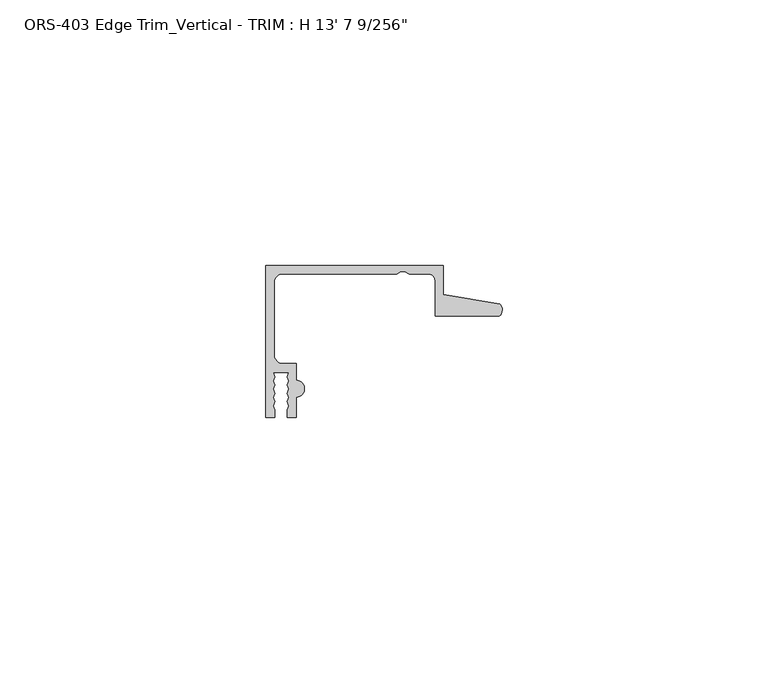
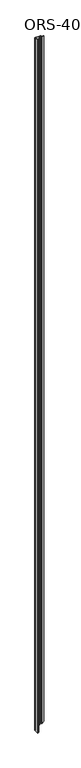
"""IFC4 building model written with IfcOpenShell, lengths in millimetres: proxy geometry."""

from ifc_helpers import new_model, si_unit, frame, origin, place, context, project, spatial, polyline, circle_curve, ellipse_curve, source, transform, mapped, element, save
from ifc_brep_helpers import plane_surface, cylinder_surface, revolved_surface, advanced_brep


def proxy_3cf52db5(model_context):
    return source(origin(), model_context, "Body", "AdvancedBrep", [
        advanced_brep(
        [(0.0, 19.6849659, 4141.0929687), (0.0, -8.8900341, 4141.0929687), (1.6395301, -8.8900341, 4141.0929687), (1.6395301, -7.4768015, 4141.0929687), (1.3857004, -6.695594, 4141.0929687), (1.6395301, -5.9143865, 4141.0929687), (1.3857004, -5.133179, 4141.0929687), (1.6395301, -4.3519716, 4141.0929687), (1.3857004, -3.5707641, 4141.0929687), (1.6395301, -2.7895566, 4141.0929687), (1.3857004, -2.0083491, 4141.0929687), (1.6395301, -1.2271416, 4141.0929687), (1.3857004, -0.4459342, 4141.0929687), (4.3039002, -0.4459342, 4141.0929687), (4.0500705, -1.2271416, 4141.0929687), (4.3039002, -2.0083491, 4141.0929687), (4.0500705, -2.7895566, 4141.0929687), (4.3039002, -3.5707641, 4141.0929687), (4.0500705, -4.3519716, 4141.0929687), (4.3039002, -5.133179, 4141.0929687), (4.0500705, -5.9143865, 4141.0929687), (4.3039002, -6.695594, 4141.0929687), (4.0500705, -7.4768015, 4141.0929687), (4.0500705, -8.8900341, 4141.0929687), (5.6896, -8.8900341, 4141.0929687), (5.6896, -5.0673341, 4141.0929687), (5.6896, -1.9177341, 4141.0929687), (5.6896, 1.2699659, 4141.0929687), (3.1623, 1.2699659, 4141.0929687), (1.5748, 2.8574659, 4141.0929687), (1.5748, 16.5226659, 4141.0929687), (3.1623, 18.1101659, 4141.0929687), (24.5876618, 18.1101659, 4141.0929687), (25.3762055, 18.5286393, 4141.0929687), (26.1600648, 18.5286393, 4141.0929687), (26.9486086, 18.1101659, 4141.0929687), (30.5703698, 18.1101659, 4141.0929687), (31.8403698, 16.8401659, 4141.0929687), (31.8403698, 10.1599659, 4141.0929687), (43.9251729, 10.1599659, 4141.0929687), (43.9912567, 12.4813352, 4141.0929687), (33.4151698, 14.292309, 4141.0929687), (33.4151698, 19.6849659, 4141.0929687), (0.0, 19.6849659, 0.0), (0.0, -8.8900341, 0.0), (1.6395301, -8.8900341, 1.6395301), (1.6395301, -7.4768015, 1.6395301), (1.3857004, -6.695594, 1.3857004), (1.6395301, -5.9143865, 1.6395301), (1.3857004, -5.133179, 1.3857004), (1.6395301, -4.3519716, 1.6395301), (1.3857004, -3.5707641, 1.3857004), (1.6395301, -2.7895566, 1.6395301), (1.3857004, -2.0083491, 1.3857004), (1.6395301, -1.2271416, 1.6395301), (1.3857004, -0.4459342, 1.3857004), (4.3039002, -0.4459342, 4.3039002), (4.0500705, -1.2271416, 4.0500705), (4.3039002, -2.0083491, 4.3039002), (4.0500705, -2.7895566, 4.0500705), (4.3039002, -3.5707641, 4.3039002), (4.0500705, -4.3519716, 4.0500705), (4.3039002, -5.133179, 4.3039002), (4.0500705, -5.9143865, 4.0500705), (4.3039002, -6.695594, 4.3039002), (4.0500705, -7.4768015, 4.0500705), (4.0500705, -8.8900341, 4.0500705), (5.6896, -8.8900341, 5.6896), (5.6896, -5.0673341, 5.6896), (5.6896, -1.9177341, 5.6896), (5.6896, 1.2699659, 5.6896), (3.1623, 1.2699659, 3.1623), (1.5748, 2.8574659, 1.5748), (1.5748, 16.5226659, 1.5748), (3.1623, 18.1101659, 3.1623), (24.5876618, 18.1101659, 24.5876618), (25.3762055, 18.5286393, 25.3762055), (26.1600648, 18.5286393, 26.1600648), (26.9486086, 18.1101659, 26.9486086), (30.5703698, 18.1101659, 30.5703698), (31.8403698, 16.8401659, 31.8403698), (31.8403698, 10.1599659, 31.8403698), (43.9251729, 10.1599659, 43.9251729), (43.9912567, 12.4813352, 43.9912567), (33.4151698, 14.292309, 33.4151698), (33.4151698, 19.6849659, 33.4151698)],
        [
            (0, 1),
            (1, 2),
            (2, 3),
            (3, 4),
            (4, 5),
            (5, 6),
            (6, 7),
            (7, 8),
            (8, 9),
            (9, 10),
            (10, 11),
            (11, 12),
            (12, 13),
            (13, 14),
            (14, 15),
            (15, 16),
            (16, 17),
            (17, 18),
            (18, 19),
            (19, 20),
            (20, 21),
            (21, 22),
            (22, 23),
            (23, 24),
            (24, 25),
            (25, 26, circle_curve(frame((5.6896, -3.4925341, 4141.0929687), z_axis=(0.0, 0.0, 1.0), x_axis=(1.0, 0.0, 0.0)), 1.5748)),
            (26, 27),
            (27, 28),
            (28, 29, circle_curve(frame((3.1623, 2.8574659, 4141.0929687), z_axis=(0.0, 0.0, -1.0), x_axis=(1.0, 0.0, 0.0)), 1.5875)),
            (29, 30),
            (30, 31, circle_curve(frame((3.1623, 16.5226659, 4141.0929687), z_axis=(0.0, 0.0, -1.0), x_axis=(1.0, 0.0, 0.0)), 1.5875)),
            (31, 32),
            (32, 33),
            (33, 34),
            (34, 35),
            (35, 36),
            (36, 37, circle_curve(frame((30.5703698, 16.8401659, 4141.0929687), z_axis=(0.0, 0.0, -1.0), x_axis=(1.0, 0.0, 0.0)), 1.27)),
            (37, 38),
            (38, 39),
            (39, 40, circle_curve(frame((42.8344152, 11.3526424, 4141.0929687), z_axis=(0.0, 0.0, 1.0), x_axis=(1.0, 0.0, 0.0)), 1.6162393)),
            (40, 41),
            (41, 42),
            (42, 0),
            (0, 43),
            (43, 44),
            (44, 1),
            (44, 45),
            (45, 2),
            (45, 46),
            (46, 3),
            (46, 47),
            (47, 4),
            (47, 48),
            (48, 5),
            (48, 49),
            (49, 6),
            (49, 50),
            (50, 7),
            (50, 51),
            (51, 8),
            (51, 52),
            (52, 9),
            (52, 53),
            (53, 10),
            (53, 54),
            (54, 11),
            (54, 55),
            (55, 12),
            (55, 56),
            (56, 13),
            (56, 57),
            (57, 14),
            (57, 58),
            (58, 15),
            (58, 59),
            (59, 16),
            (59, 60),
            (60, 17),
            (60, 61),
            (61, 18),
            (61, 62),
            (62, 19),
            (62, 63),
            (63, 20),
            (63, 64),
            (64, 21),
            (64, 65),
            (65, 22),
            (65, 66),
            (66, 23),
            (66, 67),
            (67, 24),
            (67, 68),
            (68, 25),
            (68, 69, ellipse_curve(frame((5.6896, -3.4925341, 5.6896), z_axis=(-0.7071067811865469, 0.0, 0.7071067811865481), x_axis=(0.7071067811865481, 0.0, 0.7071067811865469)), 2.2271035, 1.5748)),
            (69, 26),
            (69, 70),
            (70, 27),
            (70, 71),
            (71, 28),
            (71, 72, ellipse_curve(frame((3.1623, 2.8574659, 3.1623), z_axis=(0.7071067811865469, 0.0, -0.7071067811865481), x_axis=(-0.7071067811865481, 0.0, -0.7071067811865469)), 2.245064, 1.5875)),
            (72, 29),
            (72, 73),
            (73, 30),
            (73, 74, ellipse_curve(frame((3.1623, 16.5226659, 3.1623), z_axis=(0.7071067811865469, 0.0, -0.7071067811865481), x_axis=(-0.7071067811865481, 0.0, -0.7071067811865469)), 2.245064, 1.5875)),
            (74, 31),
            (74, 75),
            (75, 32),
            (75, 76),
            (76, 33),
            (76, 77),
            (77, 34),
            (77, 78),
            (78, 35),
            (78, 79),
            (79, 36),
            (79, 80, ellipse_curve(frame((30.5703698, 16.8401659, 30.5703698), z_axis=(0.7071067811865469, 0.0, -0.7071067811865481), x_axis=(-0.7071067811865481, 0.0, -0.7071067811865469)), 1.7960512, 1.27)),
            (80, 37),
            (80, 81),
            (81, 38),
            (81, 82),
            (82, 39),
            (82, 83, ellipse_curve(frame((42.8344152, 11.3526424, 42.8344152), z_axis=(-0.7071067811865469, 0.0, 0.7071067811865481), x_axis=(0.7071067811865481, 0.0, 0.7071067811865469)), 2.2857076, 1.6162393)),
            (83, 40),
            (83, 84),
            (84, 41),
            (84, 85),
            (85, 42),
            (85, 43),
        ],
        [
            plane_surface(frame((0.0, -8.8900341, 4141.0929687), z_axis=(0.0, 0.0, 1.0), x_axis=(0.0, -1.0, 0.0))),
            plane_surface(frame((0.0, 19.6849659, 4141.0929687), z_axis=(-1.0, 0.0, 0.0), x_axis=(0.0, 0.0, -1.0))),
            plane_surface(frame((0.0, -8.8900341, 4141.0929687), z_axis=(0.0, -1.0, 0.0), x_axis=(0.0, 0.0, -1.0))),
            plane_surface(frame((1.6395301, -8.8900341, 4141.0929687), z_axis=(1.0, 0.0, 0.0), x_axis=(0.0, 0.0, -1.0))),
            plane_surface(frame((1.6395301, -7.4768015, 4141.0929687), z_axis=(0.9510565162951495, 0.30901699437496005, 0.0), x_axis=(0.0, 0.0, -1.0))),
            plane_surface(frame((1.3857004, -6.695594, 4141.0929687), z_axis=(0.9510565162951546, -0.30901699437494434, 0.0), x_axis=(0.0, 0.0, -1.0))),
            plane_surface(frame((1.6395301, -5.9143865, 4141.0929687), z_axis=(0.9510565162951493, 0.3090169943749606, 0.0), x_axis=(0.0, 0.0, -1.0))),
            plane_surface(frame((1.3857004, -5.133179, 4141.0929687), z_axis=(0.9510565162951459, -0.3090169943749711, 0.0), x_axis=(0.0, 0.0, -1.0))),
            plane_surface(frame((1.6395301, -4.3519716, 4141.0929687), z_axis=(0.9510565162951357, 0.3090169943750027, 0.0), x_axis=(0.0, 0.0, -1.0))),
            plane_surface(frame((1.3857004, -3.5707641, 4141.0929687), z_axis=(0.9510565162951548, -0.30901699437494373, 0.0), x_axis=(0.0, 0.0, -1.0))),
            plane_surface(frame((1.6395301, -2.7895566, 4141.0929687), z_axis=(0.951056516295149, 0.3090169943749616, 0.0), x_axis=(0.0, 0.0, -1.0))),
            plane_surface(frame((1.3857004, -2.0083491, 4141.0929687), z_axis=(0.9510565162951568, -0.309016994374938, 0.0), x_axis=(0.0, 0.0, -1.0))),
            plane_surface(frame((1.6395301, -1.2271416, 4141.0929687), z_axis=(0.9510565162951492, 0.3090169943749611, 0.0), x_axis=(0.0, 0.0, -1.0))),
            plane_surface(frame((1.3857004, -0.4459342, 4141.0929687), z_axis=(0.0, -1.0, 0.0), x_axis=(0.0, 0.0, -1.0))),
            plane_surface(frame((4.3039002, -0.4459342, 4141.0929687), z_axis=(-0.9510565162951503, 0.30901699437495767, 0.0), x_axis=(0.0, 0.0, -1.0))),
            plane_surface(frame((4.0500705, -1.2271416, 4141.0929687), z_axis=(-0.9510565162951559, -0.3090169943749404, 0.0), x_axis=(0.0, 0.0, -1.0))),
            plane_surface(frame((4.3039002, -2.0083491, 4141.0929687), z_axis=(-0.9510565162918149, 0.30901699438522306, 0.0), x_axis=(0.0, 0.0, -1.0))),
            plane_surface(frame((4.0500705, -2.7895566, 4141.0929687), z_axis=(-0.9510565162917888, -0.3090169943853031, 0.0), x_axis=(0.0, 0.0, -1.0))),
            plane_surface(frame((4.3039002, -3.5707641, 4141.0929687), z_axis=(-0.9510565162951367, 0.3090169943749994, 0.0), x_axis=(0.0, 0.0, -1.0))),
            plane_surface(frame((4.0500705, -4.3519716, 4141.0929687), z_axis=(-0.951056516295145, -0.30901699437497376, 0.0), x_axis=(0.0, 0.0, -1.0))),
            plane_surface(frame((4.3039002, -5.133179, 4141.0929687), z_axis=(-0.9510565162951503, 0.30901699437495755, 0.0), x_axis=(0.0, 0.0, -1.0))),
            plane_surface(frame((4.0500705, -5.9143865, 4141.0929687), z_axis=(-0.9510565162951536, -0.3090169943749477, 0.0), x_axis=(0.0, 0.0, -1.0))),
            plane_surface(frame((4.3039002, -6.695594, 4141.0929687), z_axis=(-0.9510565162951506, 0.3090169943749566, 0.0), x_axis=(0.0, 0.0, -1.0))),
            plane_surface(frame((4.0500705, -7.4768015, 4141.0929687), z_axis=(-1.0, 0.0, 0.0), x_axis=(0.0, 0.0, -1.0))),
            plane_surface(frame((4.0500705, -8.8900341, 4141.0929687), z_axis=(0.0, -1.0, 0.0), x_axis=(0.0, 0.0, -1.0))),
            plane_surface(frame((5.6896, -8.8900341, 4141.0929687), z_axis=(1.0, 0.0, 0.0), x_axis=(0.0, 0.0, -1.0))),
            cylinder_surface(frame((5.6896, -3.4925341, 0.0), z_axis=(0.0, 0.0, 1.0), x_axis=(1.0, 0.0, 0.0)), 1.5748),
            plane_surface(frame((5.6896, -1.9177341, 4141.0929687), z_axis=(1.0, 0.0, 0.0), x_axis=(0.0, 0.0, -1.0))),
            plane_surface(frame((5.6896, 1.2699659, 4141.0929687), z_axis=(0.0, 1.0, 0.0), x_axis=(0.0, 0.0, -1.0))),
            revolved_surface(polyline([(4.7498000000000005, 2.8574659, 1.5748), (4.7498000000000005, 2.8574659, 4141.0929687)]), (3.1623, 2.8574659, 0.0), (0.0, 0.0, -1.0)),
            plane_surface(frame((1.5748, 2.8574659, 4141.0929687), z_axis=(1.0, 0.0, 0.0), x_axis=(0.0, 0.0, -1.0))),
            revolved_surface(polyline([(4.7498000000000005, 16.5226659, 1.5748), (4.7498000000000005, 16.5226659, 4141.0929687)]), (3.1623, 16.5226659, 0.0), (0.0, 0.0, -1.0)),
            plane_surface(frame((3.1623, 18.1101659, 4141.0929687), z_axis=(0.0, -1.0, 0.0), x_axis=(0.0, 0.0, -1.0))),
            plane_surface(frame((24.5876618, 18.1101659, 4141.0929687), z_axis=(0.46877036221295537, -0.8833200708184631, 0.0), x_axis=(0.0, 0.0, -1.0))),
            plane_surface(frame((25.3762055, 18.5286393, 4141.0929687), z_axis=(0.0, -1.0, 0.0), x_axis=(0.0, 0.0, -1.0))),
            plane_surface(frame((26.1600648, 18.5286393, 4141.0929687), z_axis=(-0.46877036221480195, -0.8833200708174832, 0.0), x_axis=(0.0, 0.0, -1.0))),
            plane_surface(frame((26.9486086, 18.1101659, 4141.0929687), z_axis=(1.593635278475226e-12, -1.0, 0.0), x_axis=(0.0, 0.0, -1.0))),
            revolved_surface(polyline([(31.8403698, 16.8401659, 29.300369817121766), (31.8403698, 16.8401659, 4141.0929687)]), (30.5703698, 16.8401659, 0.0), (0.0, 0.0, -1.0)),
            plane_surface(frame((31.8403698, 16.8401659, 4141.0929687), z_axis=(-1.0, 1.298707655988294e-12, 0.0), x_axis=(0.0, 0.0, -1.0))),
            plane_surface(frame((31.8403698, 10.1599659, 4141.0929687), z_axis=(0.0, -1.0, 0.0), x_axis=(0.0, 0.0, -1.0))),
            cylinder_surface(frame((42.8344152, 11.3526424, 0.0), z_axis=(0.0, 0.0, 1.0), x_axis=(1.0, 0.0, 0.0)), 1.6162393),
            plane_surface(frame((43.9912567, 12.4813352, 4141.0929687), z_axis=(0.1687764314060245, 0.9856543593987943, 0.0), x_axis=(0.0, 0.0, -1.0))),
            plane_surface(frame((33.4151698, 14.292309, 4141.0929687), z_axis=(1.0, 0.0, 0.0), x_axis=(0.0, 0.0, -1.0))),
            plane_surface(frame((33.4151698, 19.6849659, 4141.0929687), z_axis=(0.0, 1.0, 0.0), x_axis=(0.0, 0.0, -1.0))),
            plane_surface(frame((45.3831812, -8.8900341, 45.3831812), z_axis=(0.7071067811865469, 0.0, -0.7071067811865481), x_axis=(0.0, 1.0, 0.0))),
        ],
        [
            (0, [[1, 2, 3, 4, 5, 6, 7, 8, 9, 10, 11, 12, 13, 14, 15, 16, 17, 18, 19, 20, 21, 22, 23, 24, 25, 26, 27, 28, 29, 30, 31, 32, 33, 34, 35, 36, 37, 38, 39, 40, 41, 42, 43]]),
            (1, [[-1, 44, 45, 46]]),
            (2, [[-2, -46, 47, 48]]),
            (3, [[-3, -48, 49, 50]]),
            (4, [[-4, -50, 51, 52]]),
            (5, [[-5, -52, 53, 54]]),
            (6, [[-6, -54, 55, 56]]),
            (7, [[-7, -56, 57, 58]]),
            (8, [[-8, -58, 59, 60]]),
            (9, [[-9, -60, 61, 62]]),
            (10, [[-10, -62, 63, 64]]),
            (11, [[-11, -64, 65, 66]]),
            (12, [[-12, -66, 67, 68]]),
            (13, [[-13, -68, 69, 70]]),
            (14, [[-14, -70, 71, 72]]),
            (15, [[-15, -72, 73, 74]]),
            (16, [[-16, -74, 75, 76]]),
            (17, [[-17, -76, 77, 78]]),
            (18, [[-18, -78, 79, 80]]),
            (19, [[-19, -80, 81, 82]]),
            (20, [[-20, -82, 83, 84]]),
            (21, [[-21, -84, 85, 86]]),
            (22, [[-22, -86, 87, 88]]),
            (23, [[-23, -88, 89, 90]]),
            (24, [[-24, -90, 91, 92]]),
            (25, [[-25, -92, 93, 94]]),
            (26, [[-26, -94, 95, 96]]),
            (27, [[-27, -96, 97, 98]]),
            (28, [[-28, -98, 99, 100]]),
            (29, [[-29, -100, 101, 102]]),
            (30, [[-30, -102, 103, 104]]),
            (31, [[-31, -104, 105, 106]]),
            (32, [[-32, -106, 107, 108]]),
            (33, [[-33, -108, 109, 110]]),
            (34, [[-34, -110, 111, 112]]),
            (35, [[-35, -112, 113, 114]]),
            (36, [[-36, -114, 115, 116]]),
            (37, [[-37, -116, 117, 118]]),
            (38, [[-38, -118, 119, 120]]),
            (39, [[-39, -120, 121, 122]]),
            (40, [[-40, -122, 123, 124]]),
            (41, [[-41, -124, 125, 126]]),
            (42, [[-42, -126, 127, 128]]),
            (43, [[-43, -128, 129, -44]]),
            (44, [[-45, -129, -127, -125, -123, -121, -119, -117, -115, -113, -111, -109, -107, -105, -103, -101, -99, -97, -95, -93, -91, -89, -87, -85, -83, -81, -79, -77, -75, -73, -71, -69, -67, -65, -63, -61, -59, -57, -55, -53, -51, -49, -47]]),
        ],
    ),
    ])


if __name__ == "__main__":
    model = new_model("IFC4")
    model_context = context("Model", 3, world=origin())
    ifc_project = project(units=[si_unit("LENGTHUNIT", "METRE", prefix="MILLI")], contexts=[model_context])
    site = spatial("IfcSite", under=ifc_project)
    building = spatial("IfcBuilding", under=site)
    placement = place(None, origin())
    proxy_shape = proxy_3cf52db5(model_context)
    element("IfcBuildingElementProxy", 1, Name="ORS-403 Edge Trim_Vertical - TRIM : H 13' 7 9/256\"", ObjectType="ORS-403 Edge Trim_Vertical - TRIM : H 13' 7 9/256\"", at=placement, inside=building, context=model_context, shape_type="MappedRepresentation", body=[
        mapped(proxy_shape, transform((0.0, 0.0, 0.0), x_axis=(1.0, 0.0, 0.0), y_axis=(0.0, 1.0, 0.0), z_axis=(0.0, 0.0, 1.0))),
    ])
    save(model, "model.ifc")
